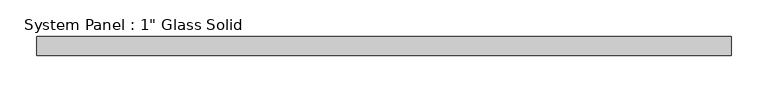
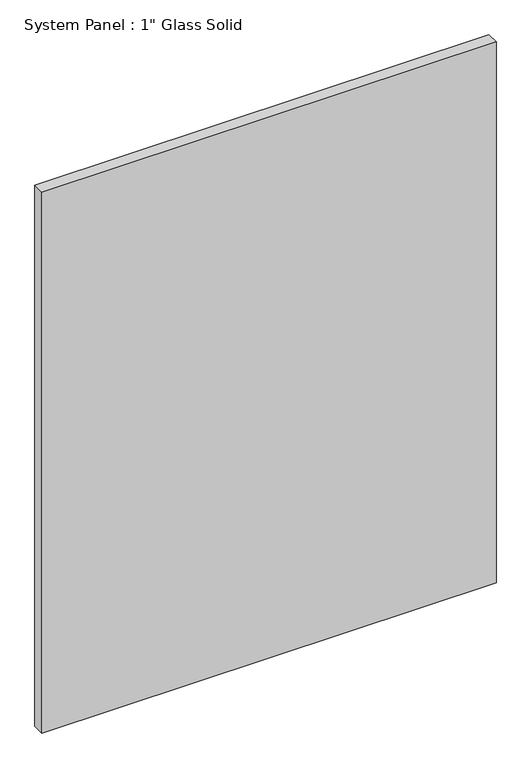
"""IFC4 building model written with IfcOpenShell, lengths in millimetres: plate geometry."""

from ifc_helpers import new_model, si_unit, origin, origin_with_axes, place, context, project, spatial, polyline, outline, extrude, source, transform, mapped, element, save


def plate_8b9745dd(model_context):
    return source(origin(), model_context, "Body", "SweptSolid", [
        extrude(outline(polyline([(471.4875, -12.7), (-471.4875, -12.7), (-471.4875, 12.7), (471.4875, 12.7), (471.4875, -12.7)])), origin_with_axes(), (0.0, 0.0, 1.0), 1187.4517704),
    ])


if __name__ == "__main__":
    model = new_model("IFC4")
    model_context = context("Model", 3, world=origin())
    ifc_project = project(units=[si_unit("LENGTHUNIT", "METRE", prefix="MILLI")], contexts=[model_context])
    site = spatial("IfcSite", under=ifc_project)
    building = spatial("IfcBuilding", under=site)
    placement = place(None, origin())
    plate_shape = plate_8b9745dd(model_context)
    element("IfcPlate", 1, ObjectType="System Panel : 1\" Glass Solid", at=placement, inside=building, context=model_context, shape_type="MappedRepresentation", body=[
        mapped(plate_shape, transform((0.0, 0.0, 0.0), x_axis=(1.0, 0.0, 0.0), y_axis=(0.0, 1.0, 0.0), z_axis=(0.0, 0.0, 1.0))),
    ])
    save(model, "model.ifc")
